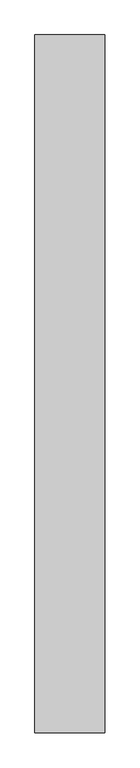
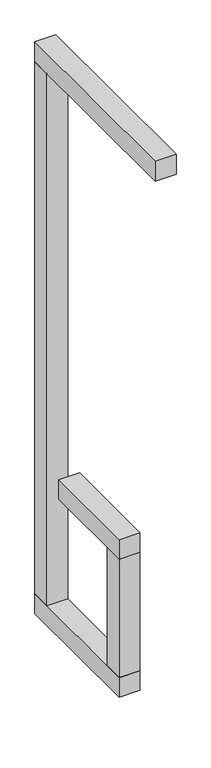
"""IFC4 building model written with IfcOpenShell, lengths in millimetres: proxy geometry."""

from ifc_helpers import new_model, si_unit, frame, origin, origin_with_axes, place, context, project, spatial, polyline, outline, extrude, source, transform, mapped, element, save


def generic_models_320caa33(model_context):
    return source(origin(), model_context, "Body", "SweptSolid", [
        extrude(outline(polyline([(100.0, 700.0), (100.0, -300.0), (0.0, -300.0), (0.0, 700.0), (100.0, 700.0)])), frame((0.0, 0.0, 2800.0), z_axis=(0.0, 0.0, 1.0), x_axis=(1.0, 0.0, 0.0)), (0.0, 0.0, 1.0), 100.0),
        extrude(outline(polyline([(100.0, 700.0), (100.0, 600.0), (0.0, 600.0), (0.0, 700.0), (100.0, 700.0)])), frame((0.0, 0.0, 100.0), z_axis=(0.0, 0.0, 1.0), x_axis=(1.0, 0.0, 0.0)), (0.0, 0.0, 1.0), 2700.0),
        extrude(outline(polyline([(100.0, 500.0), (100.0, 0.0), (0.0, 0.0), (0.0, 500.0), (100.0, 500.0)])), frame((0.0, 0.0, 700.0), z_axis=(0.0, 0.0, 1.0), x_axis=(1.0, 0.0, 0.0)), (0.0, 0.0, 1.0), 100.0),
        extrude(outline(polyline([(100.0, 100.0), (100.0, 0.0), (0.0, 0.0), (0.0, 100.0), (100.0, 100.0)])), frame((0.0, 0.0, 100.0), z_axis=(0.0, 0.0, 1.0), x_axis=(1.0, 0.0, 0.0)), (0.0, 0.0, 1.0), 600.0),
        extrude(outline(polyline([(100.0, 700.0), (100.0, 0.0), (0.0, 0.0), (0.0, 700.0), (100.0, 700.0)])), origin_with_axes(), (0.0, 0.0, 1.0), 100.0),
    ])


if __name__ == "__main__":
    model = new_model("IFC4")
    model_context = context("Model", 3, world=origin())
    ifc_project = project(units=[si_unit("LENGTHUNIT", "METRE", prefix="MILLI")], contexts=[model_context])
    site = spatial("IfcSite", under=ifc_project)
    building = spatial("IfcBuilding", under=site)
    placement = place(None, origin())
    generic_models_shape = generic_models_320caa33(model_context)
    element("IfcBuildingElementProxy", 1, Name="Generic Models", at=placement, inside=building, context=model_context, shape_type="MappedRepresentation", body=[
        mapped(generic_models_shape, transform((0.0, 0.0, 0.0), x_axis=(1.0, 0.0, 0.0), y_axis=(0.0, 1.0, 0.0), z_axis=(0.0, 0.0, 1.0))),
    ])
    save(model, "model.ifc")
